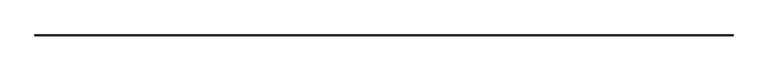
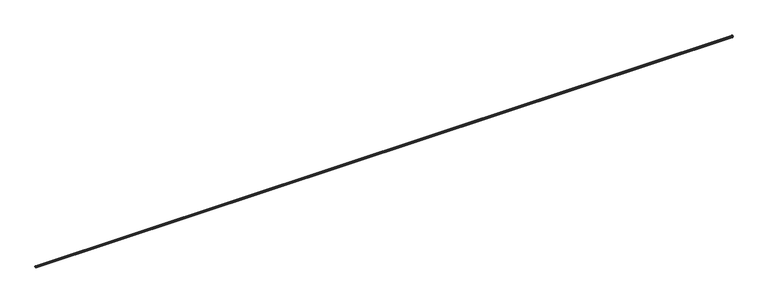
"""IFC4 building model written with IfcOpenShell, lengths in millimetres: railing geometry."""

from ifc_helpers import new_model, si_unit, frame, origin, place, context, project, spatial, polyline, circle_curve, ellipse_curve, source, transform, mapped, element, save
from ifc_brep_helpers import plane_surface, cylinder_surface, revolved_surface, advanced_brep


def railing_6056222b(model_context):
    return source(origin(), model_context, "Body", "AdvancedBrep", [
        advanced_brep(
        [(25074.4663719, 80050.9828523, 711.2), (25074.4663719, 80050.9828523, 704.8546234), (25075.4816322, 80050.9828523, 703.8393631), (25075.4816322, 80050.9828523, 700.4128597), (25075.4816322, 80050.9828523, 690.2602571), (25075.4816322, 80050.9828523, 685.2156827), (25076.2748043, 80050.9828523, 684.4225106), (25084.6189745, 80050.9828523, 684.4225106), (25084.6189745, 80050.9828523, 680.8690997), (25076.2748043, 80050.9828523, 680.8690997), (25075.4816322, 80050.9828523, 680.0759276), (25075.4816322, 80050.9828523, 675.0313532), (25075.4816322, 80050.9828523, 664.8787506), (25075.4816322, 80050.9828523, 660.8177095), (25074.4663719, 80050.9828523, 659.8024493), (25074.4663719, 80050.9828523, 654.0916103), (25076.8163121, 80050.9828523, 654.2972034), (25080.1146396, 80050.9828523, 655.5755377), (25080.1146396, 80050.9828523, 709.7160726), (25076.8163121, 80050.9828523, 710.9944069), (6786.4663719, 80050.9828523, 711.2), (6784.1164318, 80050.9828523, 710.9944069), (6780.8181042, 80050.9828523, 709.7160726), (6780.8181042, 80050.9828523, 655.5755377), (6784.1164318, 80050.9828523, 654.2972034), (6786.4663719, 80050.9828523, 654.0916103), (6786.4663719, 80050.9828523, 659.8024493), (6785.4511117, 80050.9828523, 660.8177095), (6785.4511117, 80050.9828523, 664.8787506), (6785.4511117, 80050.9828523, 675.0313532), (6785.4511117, 80050.9828523, 680.0759276), (6784.6579396, 80050.9828523, 680.8690997), (6776.3137693, 80050.9828523, 680.8690997), (6776.3137693, 80050.9828523, 684.4225106), (6784.6579396, 80050.9828523, 684.4225106), (6785.4511117, 80050.9828523, 685.2156827), (6785.4511117, 80050.9828523, 690.2602571), (6785.4511117, 80050.9828523, 700.4128597), (6785.4511117, 80050.9828523, 703.8393631), (6786.4663719, 80050.9828523, 704.8546234), (25074.4663719, 80051.7766023, 711.2), (25074.4663719, 80051.7766023, 704.8546234), (25075.4816322, 80052.7918626, 703.8393631), (25075.4816322, 80052.7918626, 700.4128597), (25075.4816322, 80052.7918626, 690.2602571), (25075.4816322, 80052.7918626, 685.2156827), (25076.2748043, 80053.5850346, 684.4225106), (25084.6189745, 80061.9292049, 684.4225106), (25084.6189745, 80061.9292049, 680.8690997), (25076.2748043, 80053.5850346, 680.8690997), (25075.4816322, 80052.7918626, 680.0759276), (25075.4816322, 80052.7918626, 675.0313532), (25075.4816322, 80052.7918626, 664.8787506), (25075.4816322, 80052.7918626, 660.8177095), (25074.4663719, 80051.7766023, 659.8024493), (25074.4663719, 80051.7766023, 654.0916103), (25076.8163121, 80054.1265425, 654.2972034), (25080.1146396, 80057.42487, 655.5755377), (25080.1146396, 80057.42487, 709.7160726), (25076.8163121, 80054.1265425, 710.9944069), (6786.4663719, 80051.7766023, 711.2), (6786.4663719, 80051.7766023, 704.8546234), (6785.4511117, 80052.7918626, 703.8393631), (6785.4511117, 80052.7918626, 700.4128597), (6785.4511117, 80052.7918626, 690.2602571), (6785.4511117, 80052.7918626, 685.2156827), (6784.6579396, 80053.5850346, 684.4225106), (6776.3137693, 80061.9292049, 684.4225106), (6776.3137693, 80061.9292049, 680.8690997), (6784.6579396, 80053.5850346, 680.8690997), (6785.4511117, 80052.7918626, 680.0759276), (6785.4511117, 80052.7918626, 675.0313532), (6785.4511117, 80052.7918626, 664.8787506), (6785.4511117, 80052.7918626, 660.8177095), (6786.4663719, 80051.7766023, 659.8024493), (6786.4663719, 80051.7766023, 654.0916103), (6784.1164318, 80054.1265425, 654.2972034), (6780.8181042, 80057.42487, 655.5755377), (6780.8181042, 80057.42487, 709.7160726), (6784.1164318, 80054.1265425, 710.9944069)],
        [
            (0, 1),
            (1, 2),
            (2, 3),
            (3, 4, circle_curve(frame((25071.6744062, 80050.9828523, 695.3365584), z_axis=(0.0, 1.0, 0.0), x_axis=(0.5999999999999958, 0.0, -0.8000000000000033)), 6.3453766)),
            (4, 5),
            (5, 6),
            (6, 7),
            (7, 8),
            (8, 9),
            (9, 10),
            (10, 11),
            (11, 12, circle_curve(frame((25071.6744062, 80050.9828523, 669.9550519), z_axis=(0.0, 1.0, 0.0), x_axis=(0.5999999999999958, 0.0, -0.8000000000000033)), 6.3453766)),
            (12, 13),
            (13, 14),
            (14, 15),
            (15, 16),
            (16, 17, circle_curve(frame((25076.2632761, 80050.9828523, 660.618434), z_axis=(0.0, -1.0, 0.0), x_axis=(0.6069558636209254, 0.0, -0.7947355406776375)), 6.3453766)),
            (17, 18, circle_curve(frame((25059.4405201, 80050.9828523, 682.6458052), z_axis=(0.0, -1.0, 0.0), x_axis=(0.6069558636209339, 0.0, 0.794735540677631)), 34.0619818)),
            (18, 19, circle_curve(frame((25076.2632761, 80050.9828523, 704.6731763), z_axis=(0.0, -1.0, 0.0), x_axis=(0.08715574274753667, 0.0, 0.9961946980917562)), 6.3453766)),
            (19, 0),
            (20, 21),
            (21, 22, circle_curve(frame((6784.6694678, 80050.9828523, 704.6731763), z_axis=(0.0, -1.0, 0.0), x_axis=(-0.08715574274753667, 0.0, 0.9961946980917562)), 6.3453766)),
            (22, 23, circle_curve(frame((6801.4922238, 80050.9828523, 682.6458052), z_axis=(0.0, -1.0, 0.0), x_axis=(-0.6069558636209339, 0.0, 0.794735540677631)), 34.0619818)),
            (23, 24, circle_curve(frame((6784.6694678, 80050.9828523, 660.618434), z_axis=(0.0, -1.0, 0.0), x_axis=(-0.6069558636209254, 0.0, -0.7947355406776375)), 6.3453766)),
            (24, 25),
            (25, 26),
            (26, 27),
            (27, 28),
            (28, 29, circle_curve(frame((6789.2583376, 80050.9828523, 669.9550519), z_axis=(0.0, 1.0, 0.0), x_axis=(-0.5999999999999958, 0.0, -0.8000000000000033)), 6.3453766)),
            (29, 30),
            (30, 31),
            (31, 32),
            (32, 33),
            (33, 34),
            (34, 35),
            (35, 36),
            (36, 37, circle_curve(frame((6789.2583376, 80050.9828523, 695.3365584), z_axis=(0.0, 1.0, 0.0), x_axis=(-0.5999999999999958, 0.0, -0.8000000000000033)), 6.3453766)),
            (37, 38),
            (38, 39),
            (39, 20),
            (0, 40),
            (40, 41),
            (41, 1),
            (41, 42),
            (42, 2),
            (42, 43),
            (43, 3),
            (43, 44, ellipse_curve(frame((25071.6744062, 80048.9846366, 695.3365584), z_axis=(-0.7071067811865461, 0.7071067811865488, 0.0), x_axis=(0.7071067811865487, 0.7071067811865462, 0.0)), 8.9737177, 6.3453766)),
            (44, 4),
            (44, 45),
            (45, 5),
            (45, 46),
            (46, 6),
            (46, 47),
            (47, 7),
            (47, 48),
            (48, 8),
            (48, 49),
            (49, 9),
            (49, 50),
            (50, 10),
            (50, 51),
            (51, 11),
            (51, 52, ellipse_curve(frame((25071.6744062, 80048.9846366, 669.9550519), z_axis=(-0.7071067811865461, 0.7071067811865488, 0.0), x_axis=(0.7071067811865487, 0.7071067811865462, 0.0)), 8.9737177, 6.3453766)),
            (52, 12),
            (52, 53),
            (53, 13),
            (53, 54),
            (54, 14),
            (54, 55),
            (55, 15),
            (55, 56),
            (56, 16),
            (56, 57, ellipse_curve(frame((25076.2632761, 80053.5735064, 660.618434), z_axis=(0.7071067811865461, -0.7071067811865488, 0.0), x_axis=(-0.7071067811865487, -0.7071067811865462, 0.0)), 8.9737177, 6.3453766)),
            (57, 17),
            (57, 58, ellipse_curve(frame((25059.4405201, 80036.7507504, 682.6458052), z_axis=(0.7071067811865461, -0.7071067811865488, 0.0), x_axis=(-0.7071067811865487, -0.7071067811865462, 0.0)), 48.1709166, 34.0619818)),
            (58, 18),
            (58, 59, ellipse_curve(frame((25076.2632761, 80053.5735064, 704.6731763), z_axis=(0.7071067811865461, -0.7071067811865488, 0.0), x_axis=(-0.7071067811865487, -0.7071067811865462, 0.0)), 8.9737177, 6.3453766)),
            (59, 19),
            (59, 40),
            (40, 60),
            (60, 61),
            (61, 41),
            (61, 62),
            (62, 42),
            (62, 63),
            (63, 43),
            (63, 64, ellipse_curve(frame((6789.2583376, 80048.9846366, 695.3365584), z_axis=(-0.7071067811865488, -0.7071067811865461, 0.0), x_axis=(-0.7071067811865462, 0.7071067811865487, 0.0)), 8.9737177, 6.3453766)),
            (64, 44),
            (64, 65),
            (65, 45),
            (65, 66),
            (66, 46),
            (66, 67),
            (67, 47),
            (67, 68),
            (68, 48),
            (68, 69),
            (69, 49),
            (69, 70),
            (70, 50),
            (70, 71),
            (71, 51),
            (71, 72, ellipse_curve(frame((6789.2583376, 80048.9846366, 669.9550519), z_axis=(-0.7071067811865488, -0.7071067811865461, 0.0), x_axis=(-0.7071067811865462, 0.7071067811865487, 0.0)), 8.9737177, 6.3453766)),
            (72, 52),
            (72, 73),
            (73, 53),
            (73, 74),
            (74, 54),
            (74, 75),
            (75, 55),
            (75, 76),
            (76, 56),
            (76, 77, ellipse_curve(frame((6784.6694678, 80053.5735064, 660.618434), z_axis=(0.7071067811865488, 0.7071067811865461, 0.0), x_axis=(0.7071067811865462, -0.7071067811865487, 0.0)), 8.9737177, 6.3453766)),
            (77, 57),
            (77, 78, ellipse_curve(frame((6801.4922238, 80036.7507504, 682.6458052), z_axis=(0.7071067811865488, 0.7071067811865461, 0.0), x_axis=(0.7071067811865462, -0.7071067811865487, 0.0)), 48.1709166, 34.0619818)),
            (78, 58),
            (78, 79, ellipse_curve(frame((6784.6694678, 80053.5735064, 704.6731763), z_axis=(0.7071067811865488, 0.7071067811865461, 0.0), x_axis=(0.7071067811865462, -0.7071067811865487, 0.0)), 8.9737177, 6.3453766)),
            (79, 59),
            (79, 60),
            (60, 20),
            (39, 61),
            (38, 62),
            (37, 63),
            (36, 64),
            (35, 65),
            (34, 66),
            (33, 67),
            (32, 68),
            (31, 69),
            (30, 70),
            (29, 71),
            (28, 72),
            (27, 73),
            (26, 74),
            (25, 75),
            (24, 76),
            (23, 77),
            (22, 78),
            (21, 79),
        ],
        [
            plane_surface(frame((25074.4663719, 80050.9828523, 711.2), z_axis=(0.0, -1.0, 0.0), x_axis=(0.0, 0.0, 1.0))),
            plane_surface(frame((6786.4663719, 80050.9828523, 711.2), z_axis=(0.0, -1.0, 0.0), x_axis=(0.0, 0.0, -1.0))),
            plane_surface(frame((25074.4663719, 80050.9828523, 711.2), z_axis=(-1.0, 0.0, 0.0), x_axis=(0.0, 1.0, 0.0))),
            plane_surface(frame((25074.4663719, 80050.9828523, 704.8546234), z_axis=(-0.7071067811865491, 0.0, -0.707106781186546), x_axis=(0.0, 1.0, 0.0))),
            plane_surface(frame((25075.4816322, 80050.9828523, 703.8393631), z_axis=(-1.0, 0.0, 0.0), x_axis=(0.0, 1.0, 0.0))),
            revolved_surface(polyline([(25075.48163216, 80055.33001323813, 690.2602571199999), (25075.48163216, 80042.63925996187, 690.2602571199999)]), (25071.6744062, 80050.9828523, 695.3365584), (0.0, 1.0000000000000002, 0.0)),
            plane_surface(frame((25075.4816322, 80050.9828523, 690.2602571), z_axis=(-1.0, 0.0, 0.0), x_axis=(0.0, 1.0, 0.0))),
            plane_surface(frame((25075.4816322, 80050.9828523, 685.2156827), z_axis=(-0.7071067811866235, 0.0, -0.7071067811864716), x_axis=(0.0, 1.0, 0.0))),
            plane_surface(frame((25076.2748043, 80050.9828523, 684.4225106), z_axis=(0.0, 0.0, -1.0), x_axis=(0.0, 1.0, 0.0))),
            plane_surface(frame((25084.6189745, 80050.9828523, 684.4225106), z_axis=(-1.0, 0.0, 0.0), x_axis=(0.0, 1.0, 0.0))),
            plane_surface(frame((25084.6189745, 80050.9828523, 680.8690997), z_axis=(0.0, 0.0, 1.0), x_axis=(0.0, 1.0, 0.0))),
            plane_surface(frame((25076.2748043, 80050.9828523, 680.8690997), z_axis=(-0.7071067811865476, 1.1770161967064467e-12, 0.7071067811865476), x_axis=(1.6645522685150556e-12, 1.0, 0.0))),
            plane_surface(frame((25075.4816322, 80050.9828523, 680.0759276), z_axis=(-1.0, 0.0, 0.0), x_axis=(0.0, 1.0, 0.0))),
            revolved_surface(polyline([(25075.48163216, 80055.33001323813, 664.8787506199999), (25075.48163216, 80042.63925996187, 664.8787506199999)]), (25071.6744062, 80050.9828523, 669.9550519), (0.0, 1.0000000000000002, 0.0)),
            plane_surface(frame((25075.4816322, 80050.9828523, 664.8787506), z_axis=(-1.0, 0.0, 0.0), x_axis=(0.0, 1.0, 0.0))),
            plane_surface(frame((25075.4816322, 80050.9828523, 660.8177095), z_axis=(-0.7071067811865472, 0.0, 0.7071067811865479), x_axis=(0.0, 1.0, 0.0))),
            plane_surface(frame((25074.4663719, 80050.9828523, 659.8024493), z_axis=(-1.0, 0.0, 0.0), x_axis=(0.0, 1.0, 0.0))),
            plane_surface(frame((25074.4663719, 80050.9828523, 654.0916103), z_axis=(0.08715574274770031, 0.0, -0.9961946980917419), x_axis=(0.0, 1.0, 0.0))),
            cylinder_surface(frame((25076.2632761, 80050.9828523, 660.618434), z_axis=(0.0, -1.0000000000000002, 0.0), x_axis=(0.6069558636209254, 0.0, -0.7947355406776375)), 6.3453766),
            cylinder_surface(frame((25059.4405201, 80050.9828523, 682.6458052), z_axis=(0.0, -1.0000000000000002, 0.0), x_axis=(0.6069558636209339, 0.0, 0.794735540677631)), 34.0619818),
            cylinder_surface(frame((25076.2632761, 80050.9828523, 704.6731763), z_axis=(0.0, -1.0, 0.0), x_axis=(0.08715574274753667, 0.0, 0.9961946980917562)), 6.3453766),
            plane_surface(frame((25076.8163121, 80050.9828523, 710.9944069), z_axis=(0.08715574274766626, 0.0, 0.9961946980917449), x_axis=(0.0, 1.0, 0.0))),
            plane_surface(frame((25074.4663719, 80051.7766023, 711.2), z_axis=(0.0, -1.0, 0.0), x_axis=(-1.0, 0.0, 0.0))),
            plane_surface(frame((25074.4663719, 80051.7766023, 704.8546234), z_axis=(0.0, -0.7071067811865491, -0.707106781186546), x_axis=(-1.0, 0.0, 0.0))),
            plane_surface(frame((25075.4816322, 80052.7918626, 703.8393631), z_axis=(0.0, -1.0, 0.0), x_axis=(-1.0, 0.0, 0.0))),
            revolved_surface(polyline([(6782.9129609618685, 80052.79186256, 690.2602571199999), (25078.019782838124, 80052.79186256, 690.2602571199999)]), (25074.4663719, 80048.9846366, 695.3365584), (-1.0000000000000002, 0.0, 0.0)),
            plane_surface(frame((25075.4816322, 80052.7918626, 690.2602571), z_axis=(0.0, -1.0, 0.0), x_axis=(-1.0, 0.0, 0.0))),
            plane_surface(frame((25075.4816322, 80052.7918626, 685.2156827), z_axis=(0.0, -0.7071067811866235, -0.7071067811864716), x_axis=(-1.0, 0.0, 0.0))),
            plane_surface(frame((25076.2748043, 80053.5850346, 684.4225106), z_axis=(0.0, 0.0, -1.0), x_axis=(-1.0, 0.0, 0.0))),
            plane_surface(frame((25084.6189745, 80061.9292049, 684.4225106), z_axis=(0.0, -1.0, 0.0), x_axis=(-1.0, 0.0, 0.0))),
            plane_surface(frame((25084.6189745, 80061.9292049, 680.8690997), z_axis=(0.0, 0.0, 1.0), x_axis=(-1.0, 0.0, 0.0))),
            plane_surface(frame((25076.2748043, 80053.5850346, 680.8690997), z_axis=(0.0, -0.7071067811865476, 0.7071067811865476), x_axis=(-1.0, 0.0, 0.0))),
            plane_surface(frame((25075.4816322, 80052.7918626, 680.0759276), z_axis=(0.0, -1.0, 0.0), x_axis=(-1.0, 0.0, 0.0))),
            revolved_surface(polyline([(6782.9129609618685, 80052.79186256, 664.8787506199999), (25078.019782838124, 80052.79186256, 664.8787506199999)]), (25074.4663719, 80048.9846366, 669.9550519), (-1.0000000000000002, 0.0, 0.0)),
            plane_surface(frame((25075.4816322, 80052.7918626, 664.8787506), z_axis=(0.0, -1.0, 0.0), x_axis=(-1.0, 0.0, 0.0))),
            plane_surface(frame((25075.4816322, 80052.7918626, 660.8177095), z_axis=(0.0, -0.7071067811865472, 0.7071067811865479), x_axis=(-1.0, 0.0, 0.0))),
            plane_surface(frame((25074.4663719, 80051.7766023, 659.8024493), z_axis=(0.0, -1.0, 0.0), x_axis=(-1.0, 0.0, 0.0))),
            plane_surface(frame((25074.4663719, 80051.7766023, 654.0916103), z_axis=(0.0, 0.08715574274770031, -0.9961946980917419), x_axis=(-1.0, 0.0, 0.0))),
            cylinder_surface(frame((25074.4663719, 80053.5735064, 660.618434), z_axis=(1.0000000000000002, 0.0, 0.0), x_axis=(0.0, 0.6069558636209254, -0.7947355406776375)), 6.3453766),
            cylinder_surface(frame((25074.4663719, 80036.7507504, 682.6458052), z_axis=(1.0000000000000002, 0.0, 0.0), x_axis=(0.0, 0.6069558636209339, 0.794735540677631)), 34.0619818),
            cylinder_surface(frame((25074.4663719, 80053.5735064, 704.6731763), z_axis=(1.0, 0.0, 0.0), x_axis=(0.0, 0.08715574274753667, 0.9961946980917562)), 6.3453766),
            plane_surface(frame((25076.8163121, 80054.1265425, 710.9944069), z_axis=(0.0, 0.08715574274766626, 0.9961946980917449), x_axis=(-1.0, 0.0, 0.0))),
            plane_surface(frame((6786.4663719, 80051.7766023, 711.2), z_axis=(1.0, 2.7284841052393754e-12, 0.0), x_axis=(2.7284841052393754e-12, -1.0, 0.0))),
            plane_surface(frame((6786.4663719, 80051.7766023, 704.8546234), z_axis=(0.7071067811865491, 1.929329613174476e-12, -0.707106781186546), x_axis=(2.7284841052393754e-12, -1.0, 0.0))),
            plane_surface(frame((6785.4511117, 80052.7918626, 703.8393631), z_axis=(1.0, 1.1971929099482903e-12, 0.0), x_axis=(1.1971929099482903e-12, -1.0, 0.0))),
            revolved_surface(polyline([(6785.45111164, 80042.63925996187, 690.2602571199999), (6785.45111164, 80055.33001323813, 690.2602571199999)]), (6789.2583376, 80051.7766023, 695.3365584), (0.0, -1.0000000000000002, 0.0)),
            plane_surface(frame((6785.4511117, 80052.7918626, 690.2602571), z_axis=(1.0, 1.1971929099482903e-12, 0.0), x_axis=(1.1971929099482903e-12, -1.0, 0.0))),
            plane_surface(frame((6785.4511117, 80052.7918626, 685.2156827), z_axis=(0.7071067811866235, -1.269814837531636e-12, -0.7071067811864716), x_axis=(-1.795789364939635e-12, -1.0, 0.0))),
            plane_surface(frame((6784.6579396, 80053.5850346, 684.4225106), z_axis=(0.0, 0.0, -1.0), x_axis=(0.0, -1.0, 0.0))),
            plane_surface(frame((6776.3137693, 80061.9292049, 684.4225106), z_axis=(1.0, 0.0, 0.0), x_axis=(0.0, -1.0, 0.0))),
            plane_surface(frame((6776.3137693, 80061.9292049, 680.8690997), z_axis=(0.0, 0.0, 1.0), x_axis=(0.0, -1.0, 0.0))),
            plane_surface(frame((6784.6579396, 80053.5850346, 680.8690997), z_axis=(0.7071067811865476, 0.0, 0.7071067811865476), x_axis=(0.0, -1.0, 0.0))),
            plane_surface(frame((6785.4511117, 80052.7918626, 680.0759276), z_axis=(1.0, 1.1971929099482903e-12, 0.0), x_axis=(1.1971929099482903e-12, -1.0, 0.0))),
            revolved_surface(polyline([(6785.45111164, 80042.63925996187, 664.8787506199999), (6785.45111164, 80055.33001323813, 664.8787506199999)]), (6789.2583376, 80051.7766023, 669.9550519), (0.0, -1.0000000000000002, 0.0)),
            plane_surface(frame((6785.4511117, 80052.7918626, 664.8787506), z_axis=(1.0, 1.1971929099482903e-12, 0.0), x_axis=(1.1971929099482903e-12, -1.0, 0.0))),
            plane_surface(frame((6785.4511117, 80052.7918626, 660.8177095), z_axis=(0.7071067811865472, 0.0, 0.7071067811865479), x_axis=(1.1971929099482903e-12, -1.0, 0.0))),
            plane_surface(frame((6786.4663719, 80051.7766023, 659.8024493), z_axis=(1.0, 2.7284841052393754e-12, 0.0), x_axis=(2.7284841052393754e-12, -1.0, 0.0))),
            plane_surface(frame((6786.4663719, 80051.7766023, 654.0916103), z_axis=(-0.08715574274770031, 0.0, -0.9961946980917419), x_axis=(1.3642420526196877e-12, -1.0, 0.0))),
            cylinder_surface(frame((6784.6694678, 80051.7766023, 660.618434), z_axis=(0.0, 1.0000000000000002, 0.0), x_axis=(-0.6069558636209254, 0.0, -0.7947355406776375)), 6.3453766),
            cylinder_surface(frame((6801.4922238, 80051.7766023, 682.6458052), z_axis=(0.0, 1.0000000000000002, 0.0), x_axis=(-0.6069558636209339, 0.0, 0.794735540677631)), 34.0619818),
            cylinder_surface(frame((6784.6694678, 80051.7766023, 704.6731763), z_axis=(0.0, 1.0, 0.0), x_axis=(-0.08715574274753667, 0.0, 0.9961946980917562)), 6.3453766),
            plane_surface(frame((6784.1164318, 80054.1265425, 710.9944069), z_axis=(-0.08715574274766626, 0.0, 0.9961946980917449), x_axis=(1.0333720028703846e-12, -1.0, 0.0))),
        ],
        [
            (0, [[1, 2, 3, 4, 5, 6, 7, 8, 9, 10, 11, 12, 13, 14, 15, 16, 17, 18, 19, 20]]),
            (1, [[21, 22, 23, 24, 25, 26, 27, 28, 29, 30, 31, 32, 33, 34, 35, 36, 37, 38, 39, 40]]),
            (2, [[-1, 41, 42, 43]]),
            (3, [[-2, -43, 44, 45]]),
            (4, [[-3, -45, 46, 47]]),
            (5, [[-4, -47, 48, 49]]),
            (6, [[-5, -49, 50, 51]]),
            (7, [[-6, -51, 52, 53]]),
            (8, [[-7, -53, 54, 55]]),
            (9, [[-8, -55, 56, 57]]),
            (10, [[-9, -57, 58, 59]]),
            (11, [[-10, -59, 60, 61]]),
            (12, [[-11, -61, 62, 63]]),
            (13, [[-12, -63, 64, 65]]),
            (14, [[-13, -65, 66, 67]]),
            (15, [[-14, -67, 68, 69]]),
            (16, [[-15, -69, 70, 71]]),
            (17, [[-16, -71, 72, 73]]),
            (18, [[-17, -73, 74, 75]]),
            (19, [[-18, -75, 76, 77]]),
            (20, [[-19, -77, 78, 79]]),
            (21, [[-20, -79, 80, -41]]),
            (22, [[-42, 81, 82, 83]]),
            (23, [[-44, -83, 84, 85]]),
            (24, [[-46, -85, 86, 87]]),
            (25, [[-48, -87, 88, 89]]),
            (26, [[-50, -89, 90, 91]]),
            (27, [[-52, -91, 92, 93]]),
            (28, [[-54, -93, 94, 95]]),
            (29, [[-56, -95, 96, 97]]),
            (30, [[-58, -97, 98, 99]]),
            (31, [[-60, -99, 100, 101]]),
            (32, [[-62, -101, 102, 103]]),
            (33, [[-64, -103, 104, 105]]),
            (34, [[-66, -105, 106, 107]]),
            (35, [[-68, -107, 108, 109]]),
            (36, [[-70, -109, 110, 111]]),
            (37, [[-72, -111, 112, 113]]),
            (38, [[-74, -113, 114, 115]]),
            (39, [[-76, -115, 116, 117]]),
            (40, [[-78, -117, 118, 119]]),
            (41, [[-80, -119, 120, -81]]),
            (42, [[-82, 121, -40, 122]]),
            (43, [[-84, -122, -39, 123]]),
            (44, [[-86, -123, -38, 124]]),
            (45, [[-88, -124, -37, 125]]),
            (46, [[-90, -125, -36, 126]]),
            (47, [[-92, -126, -35, 127]]),
            (48, [[-94, -127, -34, 128]]),
            (49, [[-96, -128, -33, 129]]),
            (50, [[-98, -129, -32, 130]]),
            (51, [[-100, -130, -31, 131]]),
            (52, [[-102, -131, -30, 132]]),
            (53, [[-104, -132, -29, 133]]),
            (54, [[-106, -133, -28, 134]]),
            (55, [[-108, -134, -27, 135]]),
            (56, [[-110, -135, -26, 136]]),
            (57, [[-112, -136, -25, 137]]),
            (58, [[-114, -137, -24, 138]]),
            (59, [[-116, -138, -23, 139]]),
            (60, [[-118, -139, -22, 140]]),
            (61, [[-120, -140, -21, -121]]),
        ],
    ),
    ])


if __name__ == "__main__":
    model = new_model("IFC4")
    model_context = context("Model", 3, world=origin())
    ifc_project = project(units=[si_unit("LENGTHUNIT", "METRE", prefix="MILLI")], contexts=[model_context])
    site = spatial("IfcSite", under=ifc_project)
    building = spatial("IfcBuilding", under=site)
    placement = place(None, origin())
    railing_shape = railing_6056222b(model_context)
    element("IfcRailing", 1, at=placement, inside=building, context=model_context, shape_type="MappedRepresentation", body=[
        mapped(railing_shape, transform((0.0, 0.0, 0.0), x_axis=(1.0, 0.0, 0.0), y_axis=(0.0, 1.0, 0.0), z_axis=(0.0, 0.0, 1.0))),
    ])
    save(model, "model.ifc")
